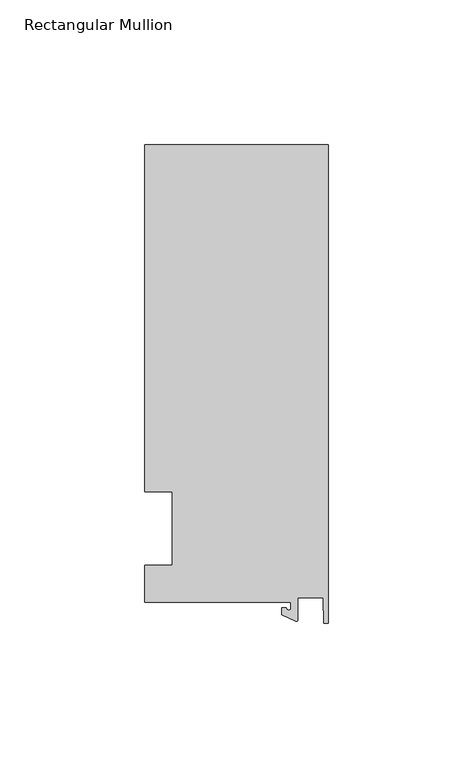
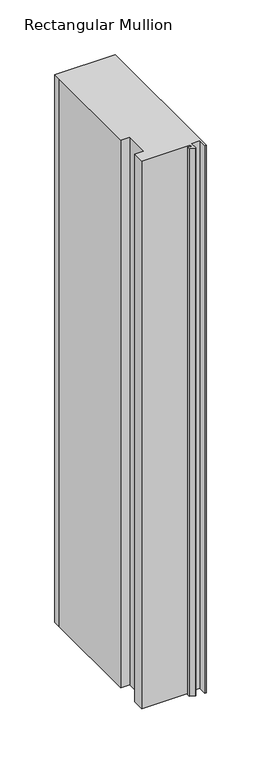
"""IFC4 building model written with IfcOpenShell, lengths in millimetres: member geometry, Rectangular Mullion."""

from ifc_helpers import new_model, si_unit, point, frame, frame_2d, origin, place, context, project, spatial, polyline, circle_curve, trimmed, segment, composite_curve, outline, extrude, source, transform, mapped, element, save


def rectangular_mullion_a7a10dc6(model_context):
    return source(origin(), model_context, "Body", "SweptSolid", [
        extrude(outline(composite_curve([segment(polyline([(-12.8216721, -25.5984375), (-63.5, -25.5984375), (-63.5, -12.7), (-53.975, -12.7), (-53.975, 12.7), (-63.5, 12.7), (-63.5, 125.075512), (-63.5, 132.822512), (0.0, 132.822512), (0.0, -32.810012), (-1.5566453, -32.810012), (-1.7144124, -23.9227662), (-10.4340721, -23.9227662), (-10.4340721, -31.6795354)]), True, "CONTINUOUS"), segment(trimmed(circle_curve(frame_2d((-10.9420721, -31.6795354)), 0.508), [point((-10.4340721, -31.6795354))], [point((-11.1567622, -32.1399398))], False, "CARTESIAN"), True, "CONTINUOUS"), segment(polyline([(-11.1567622, -32.1399398), (-15.9966721, -29.8830527), (-15.9966721, -27.5208534), (-14.4091721, -27.5208534)]), True, "CONTINUOUS"), segment(trimmed(circle_curve(frame_2d((-13.6154221, -27.5208534)), 0.79375), [point((-14.4091721, -27.5208534))], [point((-12.8216721, -27.5208534))], True, "CARTESIAN"), True, "CONTINUOUS"), segment(polyline([(-12.8216721, -27.5208534), (-12.8216721, -25.5984375)]), True, "CONTINUOUS")], self_intersect=False)), frame((0.0, 0.0, -609.6), z_axis=(0.0, 0.0, 1.0), x_axis=(1.0, 0.0, 0.0)), (0.0, 0.0, 1.0), 609.6),
    ])


if __name__ == "__main__":
    model = new_model("IFC4")
    model_context = context("Model", 3, world=origin())
    ifc_project = project(units=[si_unit("LENGTHUNIT", "METRE", prefix="MILLI")], contexts=[model_context])
    site = spatial("IfcSite", under=ifc_project)
    building = spatial("IfcBuilding", under=site)
    placement = place(None, origin())
    rectangular_mullion_shape = rectangular_mullion_a7a10dc6(model_context)
    element("IfcMember", 1, ObjectType="Rectangular Mullion", at=placement, inside=building, context=model_context, shape_type="MappedRepresentation", body=[
        mapped(rectangular_mullion_shape, transform((0.0, 0.0, 0.0), x_axis=(1.0, 0.0, 0.0), y_axis=(0.0, 1.0, 0.0), z_axis=(0.0, 0.0, 1.0))),
    ])
    save(model, "model.ifc")
